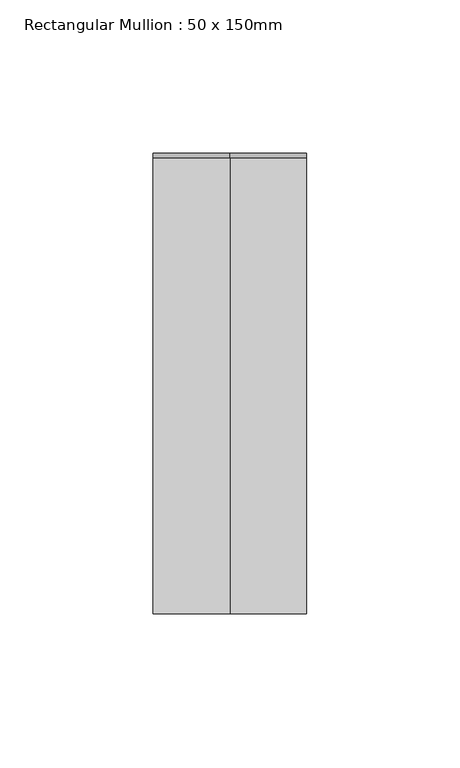
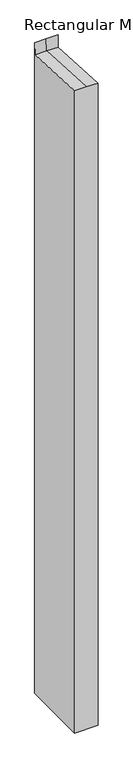
"""IFC4 building model written with IfcOpenShell, lengths in millimetres: member geometry, Rectangular Mullion : 50 x 150mm."""

import ifcopenshell
import ifcopenshell.guid

model = None  # the IFC model being written
_history = None  # IfcOwnerHistory: only IFC2X3 demands one
_inside = {}  # id of a spatial element -> (the spatial element, [elements in it])
_under = {}  # id of a project, library or spatial element -> (it, [spatial elements below it])
_declared = {}  # id of a project -> (the project, [libraries it declares])
_typed = {}  # id of a type object -> (the type object, [elements of that type])
_made_of = {}  # id of a material, layer set ... -> (it, [elements and type objects made of it])


def new_model(schema):
    """Start an empty IFC model of exactly this schema.

    Asked for "IFC4X3", IfcOpenShell would pick the latest addendum, in which some entities
    have other attributes; the version numbers below select the first issue.
    IFC2X3 requires an IfcOwnerHistory on every rooted entity: one is made here for all.
    """
    global model, _history
    if schema == "IFC4X3":
        model = ifcopenshell.file(schema_version=(4, 3, 0, 0))
    else:
        model = ifcopenshell.file(schema=schema)
    _inside.clear()
    _under.clear()
    _declared.clear()
    _typed.clear()
    _made_of.clear()
    _history = None
    if model.schema == "IFC2X3":
        org = make("IfcOrganization", Name="unknown")
        user = make(
            "IfcPersonAndOrganization",
            ThePerson=make("IfcPerson", FamilyName="unknown"),
            TheOrganization=org,
        )
        app = make(
            "IfcApplication",
            ApplicationDeveloper=org,
            Version="unknown",
            ApplicationFullName="unknown",
            ApplicationIdentifier="unknown",
        )
        _history = make(
            "IfcOwnerHistory",
            OwningUser=user,
            OwningApplication=app,
            ChangeAction="ADDED",
            CreationDate=0,
        )
    return model


def make(cls, **values):
    """One entity of the class cls with the attributes given. An attribute that is None is left unset."""
    return model.create_entity(
        cls, **{name: value for name, value in values.items() if value is not None}
    )


def rooted(cls, **values):
    """An entity with a GlobalId (a new one), such as an element, a storey or a relation."""
    return make(cls, GlobalId=ifcopenshell.guid.new(), OwnerHistory=_history, **values)


def si_unit(unit_type, name, prefix=None):
    """IfcSIUnit, for example si_unit("LENGTHUNIT", "METRE", prefix="MILLI")."""
    return make("IfcSIUnit", UnitType=unit_type, Prefix=prefix, Name=name)


def assignment(units):
    """IfcUnitAssignment: the units of a project."""
    return None if units is None else make("IfcUnitAssignment", Units=units)


def point(xyz):
    """IfcCartesianPoint."""
    return None if xyz is None else make("IfcCartesianPoint", Coordinates=xyz)


def direction(xyz):
    """IfcDirection."""
    return None if xyz is None else make("IfcDirection", DirectionRatios=xyz)


def frame(location, z_axis=None, x_axis=None):
    """IfcAxis2Placement3D, a coordinate frame: its origin and axes. An axis left out is left unset."""
    return make(
        "IfcAxis2Placement3D",
        Location=point(location),
        Axis=direction(z_axis),
        RefDirection=direction(x_axis),
    )


def origin():
    """The frame at (0, 0, 0) with its axes left unset."""
    return frame((0.0, 0.0, 0.0))


def place(relative_to, where):
    """IfcLocalPlacement: puts the frame where relative to a parent placement (None: the world)."""
    return make(
        "IfcLocalPlacement", PlacementRelTo=relative_to, RelativePlacement=where
    )


def context(
    kind, dimensions, precision=None, world=None, true_north=None, identifier=None
):
    """IfcGeometricRepresentationContext, for example the 3D "Model" context."""
    return make(
        "IfcGeometricRepresentationContext",
        ContextIdentifier=identifier,
        ContextType=kind,
        CoordinateSpaceDimension=dimensions,
        Precision=precision,
        WorldCoordinateSystem=world,
        TrueNorth=true_north,
    )


def project(units=None, contexts=None):
    """IfcProject with its units and contexts."""
    return rooted(
        "IfcProject",
        Name="project",
        RepresentationContexts=contexts,
        UnitsInContext=assignment(units),
    )


def spatial(cls, under=None, at=None, **own):
    """A site, building, storey or space (cls), placed at a placement, below another one or the project."""
    s = rooted(cls, ObjectPlacement=at, **own)
    if under is not None:
        _under.setdefault(under.id(), (under, []))[1].append(s)
    return s


def faces_of(points, faces, orient=None, outer=None):
    """IfcFace entities. A face is a list of loops; a loop is a list of indices into points, from 0.

    orient and outer hold one flag for each loop. By default every Orientation is true, the
    first loop of a face is its IfcFaceOuterBound and the others are IfcFaceBound.
    """
    made = []
    for i, loops in enumerate(faces):
        bounds = []
        for j, loop in enumerate(loops):
            is_outer = j == 0 if outer is None else outer[i][j]
            bounds.append(
                make(
                    "IfcFaceOuterBound" if is_outer else "IfcFaceBound",
                    Bound=make("IfcPolyLoop", Polygon=[points[k] for k in loop]),
                    Orientation=True if orient is None else orient[i][j],
                )
            )
        made.append(make("IfcFace", Bounds=bounds))
    return made


def faceted_brep(points, faces, orient=None, outer=None, voids=None):
    """IfcFacetedBrep: a solid bounded by flat faces; with voids (closed shells), ...WithVoids."""
    shared = [point(p) for p in points]
    hull = make("IfcClosedShell", CfsFaces=faces_of(shared, faces, orient, outer))
    if voids is None:
        return make("IfcFacetedBrep", Outer=hull)
    return make(
        "IfcFacetedBrepWithVoids",
        Outer=hull,
        Voids=[
            make(cls, CfsFaces=faces_of(shared, fs, o, b)) for cls, fs, o, b in voids
        ],
    )


def shape(context_of_items, identifier, shape_type, items):
    """IfcShapeRepresentation: the items that make up one representation, for example the "Body"."""
    return make(
        "IfcShapeRepresentation",
        ContextOfItems=context_of_items,
        RepresentationIdentifier=identifier,
        RepresentationType=shape_type,
        Items=items,
    )


def source(mapping_origin, context_of_items, identifier, shape_type, items):
    """IfcRepresentationMap: a shape defined once, which mapped items show again and again."""
    return make(
        "IfcRepresentationMap",
        MappingOrigin=mapping_origin,
        MappedRepresentation=shape(context_of_items, identifier, shape_type, items),
    )


def transform(
    local_origin,
    x_axis=None,
    y_axis=None,
    z_axis=None,
    scale=None,
    scale2=None,
    scale3=None,
    uniform=True,
):
    """IfcCartesianTransformationOperator3D, or its non-uniform kind. x_axis, y_axis, z_axis: its Axis1, 2, 3."""
    if uniform:
        return make(
            "IfcCartesianTransformationOperator3D",
            Axis1=direction(x_axis),
            Axis2=direction(y_axis),
            LocalOrigin=point(local_origin),
            Scale=scale,
            Axis3=direction(z_axis),
        )
    return make(
        "IfcCartesianTransformationOperator3DnonUniform",
        Axis1=direction(x_axis),
        Axis2=direction(y_axis),
        LocalOrigin=point(local_origin),
        Scale=scale,
        Axis3=direction(z_axis),
        Scale2=scale2,
        Scale3=scale3,
    )


def mapped(mapping_source, mapping_target):
    """IfcMappedItem: shows the shape of a source again, moved by a transform."""
    return make(
        "IfcMappedItem", MappingSource=mapping_source, MappingTarget=mapping_target
    )


def made_of(thing, what):
    """Note that an element or type object is made of a material, layer set ...; save() writes the relation."""
    if what is not None:
        _made_of.setdefault(what.id(), (what, []))[1].append(thing)
    return thing


def element(
    cls,
    number,
    at=None,
    inside=None,
    cuts=None,
    type_object=None,
    material=None,
    context=None,
    identifier="Body",
    shape_type=None,
    held_by="IfcProductDefinitionShape",
    body=None,
    shapes=None,
    **own,
):
    """One element of the class cls, such as IfcWall. Its Tag is "e" and its number.

    at: its placement. inside: the storey or other place that contains it. cuts: it is an
    opening in that element (IfcRelVoidsElement). A single representation is given by context,
    identifier, shape_type and body (its items); several are given by shapes. held_by: the class
    of the entity that holds the representations. save() writes the other relations.
    """
    e = rooted(cls, Tag="e%d" % number, ObjectPlacement=at, **own)
    if body is not None:
        shapes = [shape(context, identifier, shape_type, body)]
    if shapes is not None:
        e.Representation = make(held_by, Representations=shapes)
    if inside is not None:
        _inside.setdefault(inside.id(), (inside, []))[1].append(e)
    if cuts is not None:
        rooted(
            "IfcRelVoidsElement", RelatingBuildingElement=cuts, RelatedOpeningElement=e
        )
    if type_object is not None:
        _typed.setdefault(type_object.id(), (type_object, []))[1].append(e)
    return made_of(e, material)


def aggregate(whole, parts):
    """IfcRelAggregates: a whole, such as a stair, and the parts it consists of."""
    return rooted("IfcRelAggregates", RelatingObject=whole, RelatedObjects=parts)


def save(model, path):
    """Write the relations noted so far, then the file.

    IfcRelAggregates (storeys below a building ...), IfcRelContainedInSpatialStructure (elements
    in a storey), IfcRelDefinesByType, IfcRelAssociatesMaterial and IfcRelDeclares: one each for
    every whole, place, type object, material and project.
    """
    for whole, parts in _under.values():
        aggregate(whole, parts)
    for where, things in _inside.values():
        rooted(
            "IfcRelContainedInSpatialStructure",
            RelatedElements=things,
            RelatingStructure=where,
        )
    for kind, things in _typed.values():
        rooted("IfcRelDefinesByType", RelatedObjects=things, RelatingType=kind)
    for what, things in _made_of.values():
        rooted("IfcRelAssociatesMaterial", RelatedObjects=things, RelatingMaterial=what)
    for by, libraries in _declared.values():
        rooted("IfcRelDeclares", RelatingContext=by, RelatedDefinitions=libraries)
    model.write(path)


def rectangular_mullion_50_x_150mm_fb3edb29(model_context):
    return source(origin(), model_context, "Body", "Brep", [
        faceted_brep([(25.0, 75.0, -1463.5002339), (25.0, -75.0, -1463.5002339), (-25.0, -75.0, -1463.5002339), (-25.0, 75.0, -1463.5002339), (-25.0, 75.0, 23.0228829), (0.0, 75.0, 23.0228829), (25.0, 75.0, 23.0228829), (-25.0, -75.0, 3.9222132), (-25.0, 73.5786699, -3.9167656), (25.0, -75.0, 3.9222132), (0.0, -75.0, 3.9222132), (25.0, 73.5786699, -3.9167656), (0.0, 73.5786699, -3.9167656)], [[[0, 1, 2, 3]], [[4, 5, 6, 0, 3]], [[7, 8, 4, 3, 2]], [[9, 10, 7, 2, 1]], [[6, 11, 9, 1, 0]], [[6, 5, 12, 11]], [[5, 4, 8, 12]], [[8, 7, 10, 12]], [[10, 9, 11, 12]]]),
    ])


if __name__ == "__main__":
    model = new_model("IFC4")
    model_context = context("Model", 3, world=origin())
    ifc_project = project(units=[si_unit("LENGTHUNIT", "METRE", prefix="MILLI")], contexts=[model_context])
    site = spatial("IfcSite", under=ifc_project)
    building = spatial("IfcBuilding", under=site)
    placement = place(None, origin())
    rectangular_mullion_50_x_150mm_shape = rectangular_mullion_50_x_150mm_fb3edb29(model_context)
    element("IfcMember", 1, ObjectType="Rectangular Mullion : 50 x 150mm", at=placement, inside=building, context=model_context, shape_type="MappedRepresentation", body=[
        mapped(rectangular_mullion_50_x_150mm_shape, transform((0.0, 0.0, 0.0), x_axis=(1.0, 0.0, 0.0), y_axis=(0.0, 1.0, 0.0), z_axis=(0.0, 0.0, 1.0))),
    ])
    save(model, "model.ifc")
